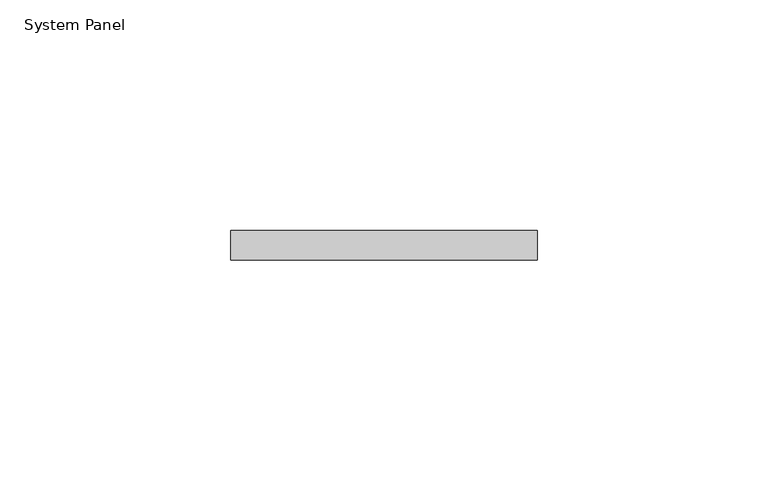
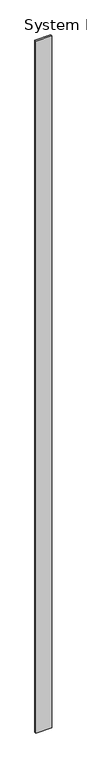
"""IFC4 building model written with IfcOpenShell, lengths in millimetres: plate geometry, System Panel."""

from ifc_helpers import new_model, si_unit, origin, origin_with_axes, place, context, project, spatial, polyline, outline, extrude, source, transform, mapped, element, save


def system_panel_1d0ad3f5(model_context):
    return source(origin(), model_context, "Body", "SweptSolid", [
        extrude(outline(polyline([(33.1722181, -6.35), (-33.1722181, -6.35), (-33.1722181, 0.0), (33.1722181, 0.0), (33.1722181, -6.35)])), origin_with_axes(), (0.0, 0.0, 1.0), 3048.0),
    ])


if __name__ == "__main__":
    model = new_model("IFC4")
    model_context = context("Model", 3, world=origin())
    ifc_project = project(units=[si_unit("LENGTHUNIT", "METRE", prefix="MILLI")], contexts=[model_context])
    site = spatial("IfcSite", under=ifc_project)
    building = spatial("IfcBuilding", under=site)
    placement = place(None, origin())
    system_panel_shape = system_panel_1d0ad3f5(model_context)
    element("IfcPlate", 1, ObjectType="System Panel", at=placement, inside=building, context=model_context, shape_type="MappedRepresentation", body=[
        mapped(system_panel_shape, transform((0.0, 0.0, 0.0), x_axis=(1.0, 0.0, 0.0), y_axis=(0.0, 1.0, 0.0), z_axis=(0.0, 0.0, 1.0))),
    ])
    save(model, "model.ifc")
